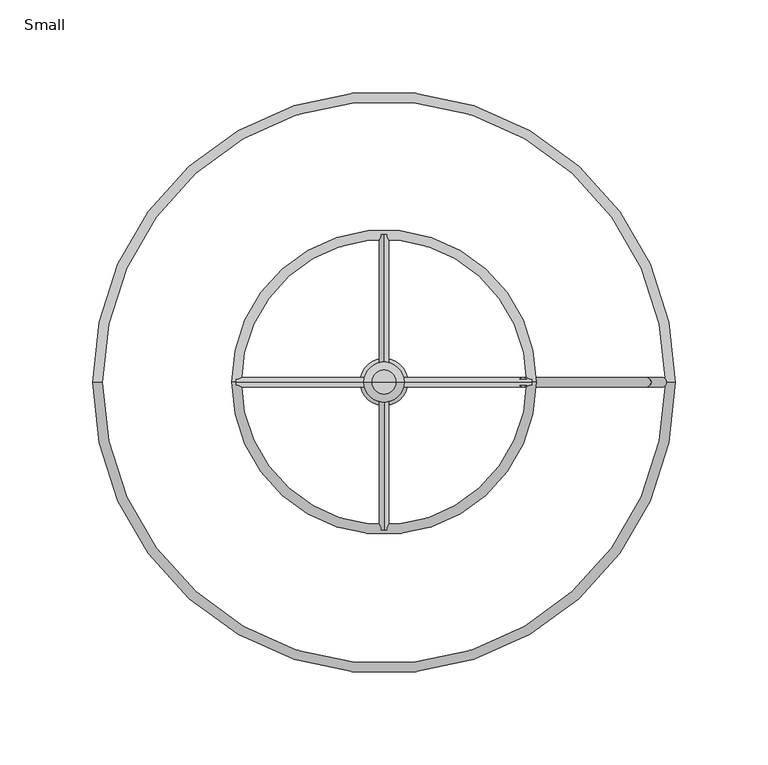
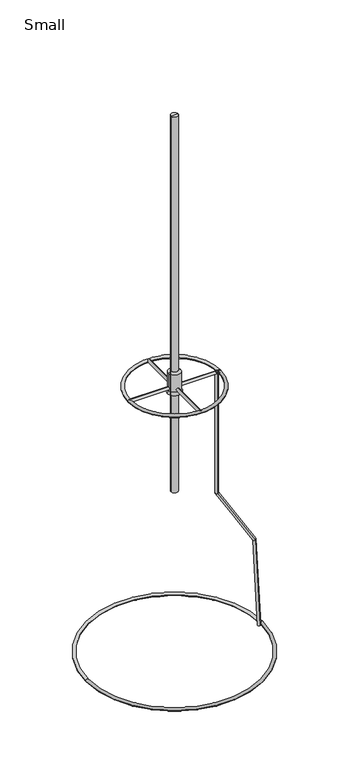
"""IFC4 building model written with IfcOpenShell, lengths in millimetres: furniture geometry, Small."""

from ifc_helpers import new_model, si_unit, point, frame, frame_2d, origin, place, context, project, spatial, polyline, circle_curve, ellipse_curve, trimmed, segment, composite_curve, outline, extrude, source, transform, mapped, element, save
from ifc_brep_helpers import plane_surface, cylinder_surface, revolved_surface, advanced_brep


def small_94a14b09(model_context):
    return source(origin(), model_context, "Body", "SolidModel", [
        advanced_brep(
        [(75.0000076, 2.54, 2386.4939038), (75.0000076, -2.54, 2386.4939038), (75.0000076, 2.54, 2159.8442635), (75.0000076, -2.54, 2159.8442635), (141.4720764, 2.54, 2049.2161633), (141.4720764, -2.54, 2049.2161633), (149.9996392, 2.54, 1886.5005713), (149.9996392, -2.54, 1886.5005713)],
        [
            (0, 1, circle_curve(frame((75.0000076, 0.0, 2386.4939038), z_axis=(0.0, 0.0, 1.0), x_axis=(0.0, -1.0, 0.0)), 2.54)),
            (1, 0, circle_curve(frame((75.0000076, 0.0, 2386.4939038), z_axis=(0.0, 0.0, 1.0), x_axis=(0.0, -1.0, 0.0)), 2.54)),
            (0, 2),
            (2, 3, ellipse_curve(frame((75.0000076, 0.0, 2159.8442635), z_axis=(-0.2672383760782551, 0.0, 0.9636304532086233), x_axis=(0.963630453208623, 0.0, 0.2672383760782565)), 2.6358652, 2.54)),
            (3, 1),
            (3, 2, ellipse_curve(frame((75.0000076, 0.0, 2159.8442635), z_axis=(-0.2672383760782551, 0.0, 0.9636304532086233), x_axis=(0.963630453208623, 0.0, 0.2672383760782565)), 2.6358652, 2.54)),
            (2, 4),
            (4, 5, ellipse_curve(frame((141.4720764, 0.0, 2049.2161633), z_axis=(-0.292371704722735, 0.0, 0.956304755963036), x_axis=(-0.956304755963036, 0.0, -0.29237170472273455)), 2.6177586, 2.54)),
            (5, 3),
            (5, 4, ellipse_curve(frame((141.4720764, 0.0, 2049.2161633), z_axis=(-0.292371704722735, 0.0, 0.956304755963036), x_axis=(-0.956304755963036, 0.0, -0.29237170472273455)), 2.6177586, 2.54)),
            (6, 7, circle_curve(frame((149.9996392, 0.0, 1886.5005713), z_axis=(0.05233595624294219, 0.0, -0.998629534754574), x_axis=(0.0, -1.0, 0.0)), 2.54)),
            (7, 6, circle_curve(frame((149.9996392, 0.0, 1886.5005713), z_axis=(0.05233595624294219, 0.0, -0.998629534754574), x_axis=(0.0, -1.0, 0.0)), 2.54)),
            (4, 6),
            (7, 5),
        ],
        [
            plane_surface(frame((75.0000076, 0.0, 2386.4939038), z_axis=(0.0, 0.0, 1.0), x_axis=(0.0, -1.0, 0.0))),
            cylinder_surface(frame((75.0000076, 0.0, 2386.4939038), z_axis=(0.0, 0.0, 1.0), x_axis=(0.0, -1.0, 0.0)), 2.54),
            cylinder_surface(frame((75.0000076, 0.0, 2159.8442635), z_axis=(-0.5150380749100526, 0.0, 0.8571673007021133), x_axis=(0.0, -1.0, 0.0)), 2.54),
            plane_surface(frame((149.9996392, 0.0, 1886.5005713), z_axis=(0.05233595624294223, 0.0, -0.998629534754574), x_axis=(0.0, -1.0, 0.0))),
            cylinder_surface(frame((141.4720764, 0.0, 2049.2161633), z_axis=(-0.05233595624294219, 0.0, 0.998629534754574), x_axis=(0.0, -1.0, 0.0)), 2.54),
        ],
        [
            (0, [[1, 2]]),
            (1, [[-1, 3, 4, 5]]),
            (1, [[-2, -5, 6, -3]]),
            (2, [[-4, 7, 8, 9]]),
            (2, [[-6, -9, 10, -7]]),
            (3, [[11, 12]]),
            (4, [[-8, 13, -12, 14]]),
            (4, [[-10, -14, -11, -13]]),
        ],
    ),
        extrude(outline(composite_curve([segment(trimmed(circle_curve(frame_2d((0.0, -0.0432024)), 2.5832205), [point((0.0, -2.6264229))], [point((0.0, 2.540018))], False, "CARTESIAN"), True, "CONTINUOUS"), segment(trimmed(circle_curve(frame_2d((0.0, -0.0432024)), 2.5832205), [point((0.0, 2.540018))], [point((0.0, -2.6264229))], False, "CARTESIAN"), True, "CONTINUOUS")], self_intersect=False)), frame((0.0119232, -79.5629955, 2385.020173), z_axis=(-0.0001356133209814842, 0.9999999908045136, 0.0), x_axis=(-0.9999999908045136, -0.0001356133209814842, 0.0)), (0.0, 0.0, 1.0), 159.112392),
        extrude(outline(composite_curve([segment(trimmed(circle_curve(frame_2d((0.0, -0.0432024)), 2.5832205), [point((0.0, -2.6264229))], [point((0.0, 2.540018))], False, "CARTESIAN"), True, "CONTINUOUS"), segment(trimmed(circle_curve(frame_2d((0.0, -0.0432024)), 2.5832205), [point((0.0, 2.540018))], [point((0.0, -2.6264229))], False, "CARTESIAN"), True, "CONTINUOUS")], self_intersect=False)), frame((-79.5550606, -0.0201685, 2385.020173), z_axis=(0.9999999858820731, 0.0001680352755631387, 0.0), x_axis=(-0.0001680352755631387, 0.9999999858820731, 0.0)), (0.0, 0.0, 1.0), 159.112392),
        advanced_brep(
        [(-6.4355759, 0.0, 2891.6915444), (6.4355759, 0.0, 2891.6915444), (6.4355759, 0.0, 2190.2405866), (-6.4355759, 0.0, 2190.2405866), (0.0, 0.0, 2891.6915444), (0.0, 0.0, 2190.2405866)],
        [
            (0, 1, circle_curve(frame((0.0, 0.0, 2891.6915444), z_axis=(0.0, 0.0, -1.0), x_axis=(1.0, 0.0, 0.0)), 6.4355759)),
            (1, 2),
            (2, 3, circle_curve(frame((0.0, 0.0, 2190.2405866), z_axis=(0.0, 0.0, 1.0), x_axis=(1.0, 0.0, 0.0)), 6.4355759)),
            (3, 0),
            (1, 0, circle_curve(frame((0.0, 0.0, 2891.6915444), z_axis=(0.0, 0.0, -1.0), x_axis=(1.0, 0.0, 0.0)), 6.4355759)),
            (3, 2, circle_curve(frame((0.0, 0.0, 2190.2405866), z_axis=(0.0, 0.0, 1.0), x_axis=(1.0, 0.0, 0.0)), 6.4355759)),
            (4, 1),
            (0, 4),
            (2, 5),
            (5, 3),
        ],
        [
            cylinder_surface(frame((0.0, 0.0, 2923.4415444), z_axis=(0.0, 0.0, 1.0), x_axis=(1.0, 0.0, 0.0)), 6.4355759),
            plane_surface(frame((0.0, 0.0, 2891.6915444), z_axis=(0.0, 0.0, 1.0), x_axis=(1.0, 0.0, 0.0))),
            plane_surface(frame((0.0, 0.0, 2190.2405866), z_axis=(0.0, 0.0, -1.0), x_axis=(1.0, 0.0, 0.0))),
        ],
        [
            (0, [[1, 2, 3, 4]]),
            (0, [[5, -4, 6, -2]]),
            (1, [[7, -1, 8]]),
            (1, [[-8, -5, -7]]),
            (2, [[-3, 9, 10]]),
            (2, [[-6, -10, -9]]),
        ],
    ),
        advanced_brep(
        [(151.7741049, -0.0921173, 1888.907638), (-151.7741049, -0.0921173, 1888.907638), (-156.9871807, -0.0921173, 1888.907638), (156.9871807, -0.0921173, 1888.907638)],
        [
            (0, 1, circle_curve(frame((0.0, -0.0921173, 1888.907638), z_axis=(0.0, 0.0, -1.0), x_axis=(-1.0, 0.0, 0.0)), 151.7741049)),
            (1, 2, circle_curve(frame((-154.3806428, -0.0921173, 1888.907638), z_axis=(0.0, -1.0, 0.0), x_axis=(1.0, 0.0, 0.0)), 2.6065379)),
            (2, 3, circle_curve(frame((0.0, -0.0921173, 1888.907638), z_axis=(0.0, 0.0, 1.0), x_axis=(-1.0, 0.0, 0.0)), 156.9871807)),
            (3, 0, circle_curve(frame((154.3806428, -0.0921173, 1888.907638), z_axis=(0.0, -1.0, 0.0), x_axis=(-1.0, 0.0, 0.0)), 2.6065379)),
            (2, 1, circle_curve(frame((-154.3806428, -0.0921173, 1888.907638), z_axis=(0.0, -1.0, 0.0), x_axis=(1.0, 0.0, 0.0)), 2.6065379)),
            (0, 3, circle_curve(frame((154.3806428, -0.0921173, 1888.907638), z_axis=(0.0, -1.0, 0.0), x_axis=(-1.0, 0.0, 0.0)), 2.6065379)),
            (1, 0, circle_curve(frame((0.0, -0.0921173, 1888.907638), z_axis=(0.0, 0.0, -1.0), x_axis=(1.0, 0.0, 0.0)), 151.7741049)),
            (3, 2, circle_curve(frame((0.0, -0.0921173, 1888.907638), z_axis=(0.0, 0.0, 1.0), x_axis=(1.0, 0.0, 0.0)), 156.9871807)),
        ],
        [
            revolved_surface(trimmed(ellipse_curve(frame((-154.3806428, -0.0921173, 1888.907638), z_axis=(0.0, 1.0, 0.0), x_axis=(1.0, 0.0, 0.0)), 2.6065379, 2.6065379), [point((-156.9871807, -0.0921173, 1888.907638))], [point((-151.7741049, -0.0921173, 1888.907638))], True, "CARTESIAN"), (0.0, -0.0921173, 0.0), (0.0, 0.0, 1.0)),
            revolved_surface(trimmed(ellipse_curve(frame((-154.3806428, -0.0921173, 1888.907638), z_axis=(0.0, 1.0, 0.0), x_axis=(1.0, 0.0, 0.0)), 2.6065379, 2.6065379), [point((-151.7741049, -0.0921173, 1888.907638))], [point((-156.9871807, -0.0921173, 1888.907638))], True, "CARTESIAN"), (0.0, -0.0921173, 0.0), (0.0, 0.0, 1.0)),
            revolved_surface(trimmed(ellipse_curve(frame((154.3806428, -0.0921173, 1888.907638), z_axis=(0.0, -1.0, 0.0), x_axis=(-1.0, 0.0, 0.0)), 2.6065379, 2.6065379), [point((156.9871807, -0.0921173, 1888.907638))], [point((151.7741049, -0.0921173, 1888.907638))], True, "CARTESIAN"), (0.0, -0.0921173, 0.0), (0.0, 0.0, 1.0)),
            revolved_surface(trimmed(ellipse_curve(frame((154.3806428, -0.0921173, 1888.907638), z_axis=(0.0, -1.0, 0.0), x_axis=(-1.0, 0.0, 0.0)), 2.6065379, 2.6065379), [point((151.7741049, -0.0921173, 1888.907638))], [point((156.9871807, -0.0921173, 1888.907638))], True, "CARTESIAN"), (0.0, -0.0921173, 0.0), (0.0, 0.0, 1.0)),
        ],
        [
            (0, [[1, 2, 3, 4]]),
            (1, [[-3, 5, -1, 6]]),
            (2, [[7, -4, 8, -2]]),
            (3, [[-8, -6, -7, -5]]),
        ],
    ),
        advanced_brep(
        [(76.9260538, 0.0, 2384.9769706), (-76.9260538, 0.0, 2384.9769706), (-82.073869, 0.0, 2384.9769706), (82.073869, 0.0, 2384.9769706)],
        [
            (0, 1, circle_curve(frame((0.0, 0.0, 2384.9769706), z_axis=(0.0, 0.0, -1.0), x_axis=(-1.0, 0.0, 0.0)), 76.9260538)),
            (1, 2, circle_curve(frame((-79.4999614, 0.0, 2384.9769706), z_axis=(0.0, -1.0, 0.0), x_axis=(1.0, 0.0, 0.0)), 2.5739076)),
            (2, 3, circle_curve(frame((0.0, 0.0, 2384.9769706), z_axis=(0.0, 0.0, 1.0), x_axis=(-1.0, 0.0, 0.0)), 82.073869)),
            (3, 0, circle_curve(frame((79.4999614, 0.0, 2384.9769706), z_axis=(0.0, -1.0, 0.0), x_axis=(-1.0, 0.0, 0.0)), 2.5739076)),
            (2, 1, circle_curve(frame((-79.4999614, 0.0, 2384.9769706), z_axis=(0.0, -1.0, 0.0), x_axis=(1.0, 0.0, 0.0)), 2.5739076)),
            (0, 3, circle_curve(frame((79.4999614, 0.0, 2384.9769706), z_axis=(0.0, -1.0, 0.0), x_axis=(-1.0, 0.0, 0.0)), 2.5739076)),
            (1, 0, circle_curve(frame((0.0, 0.0, 2384.9769706), z_axis=(0.0, 0.0, -1.0), x_axis=(1.0, 0.0, 0.0)), 76.9260538)),
            (3, 2, circle_curve(frame((0.0, 0.0, 2384.9769706), z_axis=(0.0, 0.0, 1.0), x_axis=(1.0, 0.0, 0.0)), 82.073869)),
        ],
        [
            revolved_surface(trimmed(ellipse_curve(frame((-79.4999614, 0.0, 2384.9769706), z_axis=(0.0, 1.0, 0.0), x_axis=(1.0, 0.0, 0.0)), 2.5739076, 2.5739076), [point((-82.073869, 0.0, 2384.9769706))], [point((-76.9260538, 0.0, 2384.9769706))], True, "CARTESIAN"), (0.0, 0.0, 0.0), (0.0, 0.0, 1.0)),
            revolved_surface(trimmed(ellipse_curve(frame((-79.4999614, 0.0, 2384.9769706), z_axis=(0.0, 1.0, 0.0), x_axis=(1.0, 0.0, 0.0)), 2.5739076, 2.5739076), [point((-76.9260538, 0.0, 2384.9769706))], [point((-82.073869, 0.0, 2384.9769706))], True, "CARTESIAN"), (0.0, 0.0, 0.0), (0.0, 0.0, 1.0)),
            revolved_surface(trimmed(ellipse_curve(frame((79.4999614, 0.0, 2384.9769706), z_axis=(0.0, -1.0, 0.0), x_axis=(-1.0, 0.0, 0.0)), 2.5739076, 2.5739076), [point((82.073869, 0.0, 2384.9769706))], [point((76.9260538, 0.0, 2384.9769706))], True, "CARTESIAN"), (0.0, 0.0, 0.0), (0.0, 0.0, 1.0)),
            revolved_surface(trimmed(ellipse_curve(frame((79.4999614, 0.0, 2384.9769706), z_axis=(0.0, -1.0, 0.0), x_axis=(-1.0, 0.0, 0.0)), 2.5739076, 2.5739076), [point((76.9260538, 0.0, 2384.9769706))], [point((82.073869, 0.0, 2384.9769706))], True, "CARTESIAN"), (0.0, 0.0, 0.0), (0.0, 0.0, 1.0)),
        ],
        [
            (0, [[1, 2, 3, 4]]),
            (1, [[-3, 5, -1, 6]]),
            (2, [[7, -4, 8, -2]]),
            (3, [[-8, -6, -7, -5]]),
        ],
    ),
        advanced_brep(
        [(-12.7691709, 0.0, 2376.2022977), (12.7691709, 0.0, 2376.2022977), (0.0, 0.0, 2376.2022977), (-10.7863651, 0.0, 2380.7535367), (10.7863651, 0.0, 2380.7535367), (-10.7863651, 0.0, 2412.5929837), (10.7863651, 0.0, 2412.5929837), (-6.4355759, 0.0, 2416.1357312), (6.4355759, 0.0, 2416.1357312), (0.0, 0.0, 2416.1357312)],
        [
            (0, 1, circle_curve(frame((0.0, 0.0, 2376.2022977), z_axis=(0.0, 0.0, -1.0), x_axis=(1.0, 0.0, 0.0)), 12.7691709)),
            (1, 2),
            (2, 0),
            (1, 0, circle_curve(frame((0.0, 0.0, 2376.2022977), z_axis=(0.0, 0.0, -1.0), x_axis=(1.0, 0.0, 0.0)), 12.7691709)),
            (3, 4, circle_curve(frame((0.0, 0.0, 2380.7535367), z_axis=(0.0, 0.0, -1.0), x_axis=(1.0, 0.0, 0.0)), 10.7863651)),
            (4, 1),
            (0, 3),
            (4, 3, circle_curve(frame((0.0, 0.0, 2380.7535367), z_axis=(0.0, 0.0, -1.0), x_axis=(1.0, 0.0, 0.0)), 10.7863651)),
            (5, 6, circle_curve(frame((0.0, 0.0, 2412.5929837), z_axis=(0.0, 0.0, -1.0), x_axis=(1.0, 0.0, 0.0)), 10.7863651)),
            (6, 4),
            (3, 5),
            (6, 5, circle_curve(frame((0.0, 0.0, 2412.5929837), z_axis=(0.0, 0.0, -1.0), x_axis=(1.0, 0.0, 0.0)), 10.7863651)),
            (7, 8, circle_curve(frame((0.0, 0.0, 2416.1357312), z_axis=(0.0, 0.0, -1.0), x_axis=(1.0, 0.0, 0.0)), 6.4355759)),
            (8, 6),
            (5, 7),
            (8, 7, circle_curve(frame((0.0, 0.0, 2416.1357312), z_axis=(0.0, 0.0, -1.0), x_axis=(1.0, 0.0, 0.0)), 6.4355759)),
            (9, 8),
            (7, 9),
        ],
        [
            plane_surface(frame((0.0, 0.0, 2376.2022977), z_axis=(0.0, 0.0, -1.0), x_axis=(1.0, 0.0, 0.0))),
            revolved_surface(polyline([(12.7691709, 0.0, 2376.2022977), (10.7863651, 0.0, 2380.7535367)]), (0.0, 0.0, 2923.4415444), (0.0, 0.0, 1.0)),
            cylinder_surface(frame((0.0, 0.0, 2923.4415444), z_axis=(0.0, 0.0, 1.0), x_axis=(1.0, 0.0, 0.0)), 10.7863651),
            revolved_surface(polyline([(10.7863651, 0.0, 2412.5929837), (6.4355759, 0.0, 2416.1357312)]), (0.0, 0.0, 2923.4415444), (0.0, 0.0, 1.0)),
            plane_surface(frame((0.0, 0.0, 2416.1357312), z_axis=(0.0, 0.0, 1.0), x_axis=(1.0, 0.0, 0.0))),
        ],
        [
            (0, [[1, 2, 3]]),
            (0, [[4, -3, -2]]),
            (1, [[5, 6, -1, 7]]),
            (1, [[8, -7, -4, -6]]),
            (2, [[9, 10, -5, 11]]),
            (2, [[12, -11, -8, -10]]),
            (3, [[13, 14, -9, 15]]),
            (3, [[16, -15, -12, -14]]),
            (4, [[17, -13, 18]]),
            (4, [[-18, -16, -17]]),
        ],
    ),
    ])


if __name__ == "__main__":
    model = new_model("IFC4")
    model_context = context("Model", 3, world=origin())
    ifc_project = project(units=[si_unit("LENGTHUNIT", "METRE", prefix="MILLI")], contexts=[model_context])
    site = spatial("IfcSite", under=ifc_project)
    building = spatial("IfcBuilding", under=site)
    placement = place(None, origin())
    small_shape = small_94a14b09(model_context)
    element("IfcFurniture", 1, ObjectType="Small", at=placement, inside=building, context=model_context, shape_type="MappedRepresentation", body=[
        mapped(small_shape, transform((0.0, 0.0, 0.0), x_axis=(1.0, 0.0, 0.0), y_axis=(0.0, 1.0, 0.0), z_axis=(0.0, 0.0, 1.0))),
    ])
    save(model, "model.ifc")
